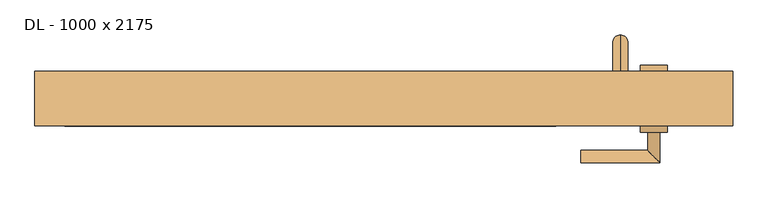
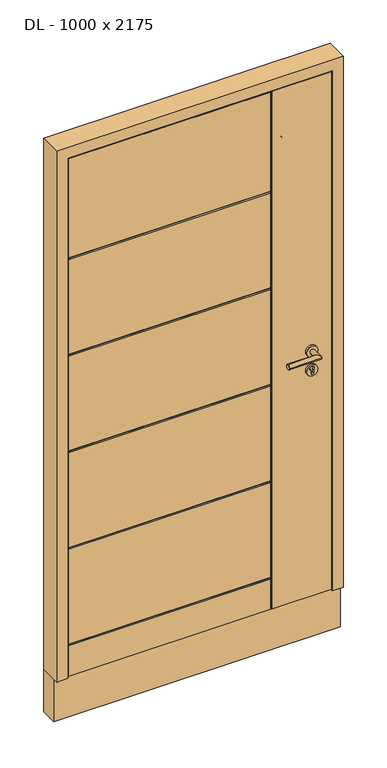
"""IFC4 building model written with IfcOpenShell, lengths in millimetres: door geometry, DL - 1000 x 2175."""

from ifc_helpers import new_model, si_unit, point, frame, frame_2d, origin, place, context, project, spatial, polyline, circle_curve, ellipse_curve, trimmed, segment, composite_curve, outline, extrude, faceted_brep, source, transform, mapped, element, save
from ifc_brep_helpers import plane_surface, cylinder_surface, revolved_surface, advanced_brep


def dl_1000_x_2175_5057b63d(model_context):
    return source(origin(), model_context, "Body", "SolidModel", [
        advanced_brep(
        [(390.0, 230.0, 1875.0), (390.0, 230.0, 1900.0), (390.0, 230.0, 225.0), (390.0, 230.0, 200.0), (390.0, 265.0, 225.0), (390.0, 290.0, 200.0), (390.0, 290.0, 1900.0), (390.0, 265.0, 1875.0)],
        [
            (0, 1, circle_curve(frame((390.0, 230.0, 1887.5), z_axis=(0.0, -1.0, 0.0), x_axis=(0.0, 0.0, 1.0)), 12.5)),
            (1, 0, circle_curve(frame((390.0, 230.0, 1887.5), z_axis=(0.0, -1.0, 0.0), x_axis=(0.0, 0.0, 1.0)), 12.5)),
            (2, 3, circle_curve(frame((390.0, 230.0, 212.5), z_axis=(0.0, -1.0, 0.0), x_axis=(0.0, 0.0, -1.0)), 12.5)),
            (3, 2, circle_curve(frame((390.0, 230.0, 212.5), z_axis=(0.0, -1.0, 0.0), x_axis=(0.0, 0.0, -1.0)), 12.5)),
            (4, 2),
            (3, 5),
            (5, 4, ellipse_curve(frame((390.0, 277.5, 212.5), z_axis=(0.0, -0.7071067811865475, -0.7071067811865475), x_axis=(0.0, 0.7071067811865476, -0.7071067811865474)), 17.6776695, 12.5)),
            (4, 5, ellipse_curve(frame((390.0, 277.5, 212.5), z_axis=(0.0, -0.7071067811865475, -0.7071067811865475), x_axis=(0.0, 0.7071067811865476, -0.7071067811865474)), 17.6776695, 12.5)),
            (6, 5),
            (4, 7),
            (7, 6, ellipse_curve(frame((390.0, 277.5, 1887.5), z_axis=(0.0, 0.7071067811865475, -0.7071067811865475), x_axis=(0.0, 0.7071067811865474, 0.7071067811865476)), 17.6776695, 12.5)),
            (6, 7, ellipse_curve(frame((390.0, 277.5, 1887.5), z_axis=(0.0, 0.7071067811865475, -0.7071067811865475), x_axis=(0.0, 0.7071067811865474, 0.7071067811865476)), 17.6776695, 12.5)),
            (1, 6),
            (7, 0),
        ],
        [
            plane_surface(frame((390.0, 230.0, 1900.0), z_axis=(0.0, -1.0, 0.0), x_axis=(-1.0, 0.0, 0.0))),
            plane_surface(frame((390.0, 230.0, 200.0), z_axis=(0.0, -1.0, 0.0), x_axis=(-1.0, 0.0, 0.0))),
            cylinder_surface(frame((390.0, 290.0, 212.5), z_axis=(0.0, 1.0, 0.0), x_axis=(0.0, 0.0, -1.0)), 12.5),
            cylinder_surface(frame((390.0, 277.5, 1900.0), z_axis=(0.0, 0.0, 1.0), x_axis=(0.0, 1.0, 0.0)), 12.5),
            cylinder_surface(frame((390.0, 230.0, 1887.5), z_axis=(0.0, -1.0, 0.0), x_axis=(0.0, 0.0, 1.0)), 12.5),
        ],
        [
            (0, [[1, 2]]),
            (1, [[3, 4]]),
            (2, [[5, -4, 6, 7]]),
            (2, [[-6, -3, -5, 8]]),
            (3, [[9, -8, 10, 11]]),
            (3, [[-10, -7, -9, 12]]),
            (4, [[13, -11, 14, -2]]),
            (4, [[-14, -12, -13, -1]]),
        ],
    ),
        advanced_brep(
        [(467.5, 230.0, 970.0), (422.5, 230.0, 970.0), (467.5, 240.0, 970.0), (422.5, 240.0, 970.0), (450.0, 240.0, 958.5), (450.0, 240.0, 971.1261365), (440.0, 240.0, 971.1261365), (440.0, 240.0, 958.5), (450.0, 232.0, 958.5), (450.0, 232.0, 971.1261365), (440.0, 232.0, 971.1261365), (440.0, 232.0, 958.5)],
        [
            (0, 1, circle_curve(frame((445.0, 230.0, 970.0), z_axis=(0.0, -1.0, 0.0), x_axis=(-1.0, 0.0, 0.0)), 22.5)),
            (1, 0, circle_curve(frame((445.0, 230.0, 970.0), z_axis=(0.0, -1.0, 0.0), x_axis=(-1.0, 0.0, 0.0)), 22.5)),
            (2, 3, circle_curve(frame((445.0, 240.0, 970.0), z_axis=(0.0, 1.0, 0.0), x_axis=(-1.0, 0.0, 0.0)), 22.5)),
            (3, 2, circle_curve(frame((445.0, 240.0, 970.0), z_axis=(0.0, 1.0, 0.0), x_axis=(-1.0, 0.0, 0.0)), 22.5)),
            (4, 5),
            (5, 6, circle_curve(frame((445.0, 240.0, 978.0), z_axis=(0.0, -1.0, 0.0), x_axis=(-1.0, 0.0, 0.0)), 8.5)),
            (6, 7),
            (7, 4, circle_curve(frame((445.0, 240.0, 958.5), z_axis=(0.0, -1.0, 0.0), x_axis=(-1.0, 0.0, 0.0)), 5.0)),
            (1, 3),
            (2, 0),
            (4, 8),
            (8, 9),
            (9, 5),
            (9, 10, circle_curve(frame((445.0, 232.0, 978.0), z_axis=(0.0, -1.0, 0.0), x_axis=(-1.0, 0.0, 0.0)), 8.5)),
            (10, 6),
            (10, 11),
            (11, 7),
            (11, 8, circle_curve(frame((445.0, 232.0, 958.5), z_axis=(0.0, -1.0, 0.0), x_axis=(-1.0, 0.0, 0.0)), 5.0)),
        ],
        [
            plane_surface(frame((422.5, 230.0, 970.0), z_axis=(0.0, -1.0, 0.0), x_axis=(0.0, 0.0, 1.0))),
            plane_surface(frame((422.5, 240.0, 970.0), z_axis=(0.0, 1.0, 0.0), x_axis=(0.0, 0.0, -1.0))),
            cylinder_surface(frame((445.0, 240.0, 970.0), z_axis=(0.0, -1.0, 0.0), x_axis=(-1.0, 0.0, 0.0)), 22.5),
            plane_surface(frame((450.0, 230.0, 958.5), z_axis=(-1.0, 0.0, 0.0), x_axis=(0.0, 1.0, 0.0))),
            revolved_surface(polyline([(436.5, 240.0, 978.0), (436.5, 232.0, 978.0)]), (445.0, 230.0, 978.0), (0.0, 1.0, 0.0)),
            plane_surface(frame((440.0, 230.0, 971.1261365), z_axis=(1.0, 0.0, 0.0), x_axis=(0.0, 1.0, 0.0))),
            revolved_surface(polyline([(440.0, 240.0, 958.5), (440.0, 232.0, 958.5)]), (445.0, 230.0, 958.5), (0.0, 1.0, 0.0)),
            plane_surface(frame((436.5, 232.0, 978.0), z_axis=(0.0, 1.0, 0.0), x_axis=(0.0, 0.0, -1.0))),
        ],
        [
            (0, [[1, 2]]),
            (1, [[3, 4], [5, 6, 7, 8]]),
            (2, [[9, -3, 10, -2]]),
            (2, [[-10, -4, -9, -1]]),
            (3, [[11, 12, 13, -5]]),
            (4, [[-13, 14, 15, -6]]),
            (5, [[-15, 16, 17, -7]]),
            (6, [[-17, 18, -11, -8]]),
            (7, [[-18, -16, -14, -12]]),
        ],
    ),
        advanced_brep(
        [(-526.0, 140.0, 8.0), (282.0, 140.0, 8.0), (282.0, 140.0, 136.0), (-526.0, 140.0, 136.0), (-526.0, 140.0, 144.0), (282.0, 140.0, 144.0), (282.0, 140.0, 545.2), (-526.0, 140.0, 545.2), (282.0, 140.0, 553.2), (282.0, 140.0, 954.4), (-526.0, 140.0, 954.4), (-526.0, 140.0, 553.2), (282.0, 140.0, 962.4), (282.0, 140.0, 1363.6), (-526.0, 140.0, 1363.6), (-526.0, 140.0, 962.4), (282.0, 140.0, 1371.6), (282.0, 140.0, 1772.8), (-526.0, 140.0, 1772.8), (-526.0, 140.0, 1371.6), (-526.0, 140.0, 2201.0), (-526.0, 140.0, 1780.8), (282.0, 140.0, 1780.8), (282.0, 140.0, 2201.0), (526.0, 140.0, 2201.0), (290.0, 140.0, 2201.0), (290.0, 140.0, 8.0), (526.0, 140.0, 8.0), (526.0, 160.0, 8.0), (526.0, 160.0, 2201.0), (-526.0, 160.0, 8.0), (-526.0, 160.0, 2201.0), (-511.0, 160.0, 2186.0), (-511.0, 160.0, 20.0), (511.0, 160.0, 20.0), (511.0, 160.0, 2186.0), (511.0, 210.0, 20.0), (511.0, 210.0, 2186.0), (-511.0, 210.0, 20.0), (-511.0, 210.0, 2186.0), (-496.0, 210.0, 2171.0), (-496.0, 210.0, 140.0), (496.0, 210.0, 140.0), (496.0, 210.0, 2171.0), (496.0, 230.0, 140.0), (496.0, 230.0, 2171.0), (-496.0, 230.0, 553.2), (-496.0, 230.0, 954.4), (282.0, 230.0, 954.4), (282.0, 230.0, 553.2), (-496.0, 230.0, 962.4), (-496.0, 230.0, 1363.6), (282.0, 230.0, 1363.6), (282.0, 230.0, 962.4), (-496.0, 230.0, 1371.6), (-496.0, 230.0, 1772.8), (282.0, 230.0, 1772.8), (282.0, 230.0, 1371.6), (290.0, 230.0, 140.0), (290.0, 230.0, 2171.0), (-496.0, 230.0, 545.2), (282.0, 230.0, 545.2), (282.0, 230.0, 140.0), (-496.0, 230.0, 140.0), (282.0, 230.0, 2171.0), (282.0, 230.0, 1780.8), (-496.0, 230.0, 1780.8), (-496.0, 230.0, 2171.0), (-496.0, 226.0, 1776.8), (-496.0, 226.0, 1367.6), (-496.0, 226.0, 958.4), (-496.0, 226.0, 549.2), (-526.0, 144.0, 140.0), (-526.0, 144.0, 549.2), (-526.0, 144.0, 958.4), (-526.0, 144.0, 1367.6), (-526.0, 144.0, 1776.8), (286.0, 144.0, 2201.0), (286.0, 226.0, 2171.0), (286.0, 144.0, 8.0), (286.0, 226.0, 140.0), (286.0, 226.0, 549.2), (286.0, 144.0, 549.2), (286.0, 144.0, 140.0), (286.0, 226.0, 958.4), (286.0, 226.0, 1367.6), (286.0, 226.0, 1776.8), (286.0, 144.0, 1776.8), (286.0, 144.0, 1367.6), (286.0, 144.0, 958.4)],
        [
            (0, 1),
            (1, 2),
            (2, 3),
            (3, 0),
            (4, 5),
            (5, 6),
            (6, 7),
            (7, 4),
            (8, 9),
            (9, 10),
            (10, 11),
            (11, 8),
            (12, 13),
            (13, 14),
            (14, 15),
            (15, 12),
            (16, 17),
            (17, 18),
            (18, 19),
            (19, 16),
            (20, 21),
            (21, 22),
            (22, 23),
            (23, 20),
            (24, 25),
            (25, 26),
            (26, 27),
            (27, 24),
            (27, 28),
            (28, 29),
            (29, 24),
            (28, 30),
            (30, 31),
            (31, 29),
            (32, 33),
            (33, 34),
            (34, 35),
            (35, 32),
            (34, 36),
            (36, 37),
            (37, 35),
            (36, 38),
            (38, 39),
            (39, 37),
            (40, 41),
            (41, 42),
            (42, 43),
            (43, 40),
            (42, 44),
            (44, 45),
            (45, 43),
            (46, 47),
            (47, 48),
            (48, 49),
            (49, 46),
            (50, 51),
            (51, 52),
            (52, 53),
            (53, 50),
            (54, 55),
            (55, 56),
            (56, 57),
            (57, 54),
            (44, 58),
            (58, 59),
            (59, 45),
            (60, 61),
            (61, 62),
            (62, 63),
            (63, 60),
            (64, 65),
            (65, 66),
            (66, 67),
            (67, 64),
            (66, 68, circle_curve(frame((-496.0, 226.0, 1780.8), z_axis=(-1.0, 0.0, 0.0), x_axis=(0.0, 1.0, 0.0)), 4.0)),
            (68, 55, circle_curve(frame((-496.0, 226.0, 1772.8), z_axis=(-1.0, 0.0, 0.0), x_axis=(0.0, 1.0, 0.0)), 4.0)),
            (54, 69, circle_curve(frame((-496.0, 226.0, 1371.6), z_axis=(-1.0, 0.0, 0.0), x_axis=(0.0, 1.0, 0.0)), 4.0)),
            (69, 51, circle_curve(frame((-496.0, 226.0, 1363.6), z_axis=(-1.0, 0.0, 0.0), x_axis=(0.0, 1.0, 0.0)), 4.0)),
            (50, 70, circle_curve(frame((-496.0, 226.0, 962.4), z_axis=(-1.0, 0.0, 0.0), x_axis=(0.0, 1.0, 0.0)), 4.0)),
            (70, 47, circle_curve(frame((-496.0, 226.0, 954.4), z_axis=(-1.0, 0.0, 0.0), x_axis=(0.0, 1.0, 0.0)), 4.0)),
            (46, 71, circle_curve(frame((-496.0, 226.0, 553.2), z_axis=(-1.0, 0.0, 0.0), x_axis=(0.0, 1.0, 0.0)), 4.0)),
            (71, 60, circle_curve(frame((-496.0, 226.0, 545.2), z_axis=(-1.0, 0.0, 0.0), x_axis=(0.0, 1.0, 0.0)), 4.0)),
            (63, 41),
            (40, 67),
            (38, 33),
            (32, 39),
            (30, 0),
            (3, 72, circle_curve(frame((-526.0, 144.0, 136.0), z_axis=(-1.0, 0.0, 0.0), x_axis=(0.0, -1.0, 0.0)), 4.0)),
            (72, 4, circle_curve(frame((-526.0, 144.0, 144.0), z_axis=(-1.0, 0.0, 0.0), x_axis=(0.0, -1.0, 0.0)), 4.0)),
            (7, 73, circle_curve(frame((-526.0, 144.0, 545.2), z_axis=(-1.0, 0.0, 0.0), x_axis=(0.0, -1.0, 0.0)), 4.0)),
            (73, 11, circle_curve(frame((-526.0, 144.0, 553.2), z_axis=(-1.0, 0.0, 0.0), x_axis=(0.0, -1.0, 0.0)), 4.0)),
            (10, 74, circle_curve(frame((-526.0, 144.0, 954.4), z_axis=(-1.0, 0.0, 0.0), x_axis=(0.0, -1.0, 0.0)), 4.0)),
            (74, 15, circle_curve(frame((-526.0, 144.0, 962.4), z_axis=(-1.0, 0.0, 0.0), x_axis=(0.0, -1.0, 0.0)), 4.0)),
            (14, 75, circle_curve(frame((-526.0, 144.0, 1363.6), z_axis=(-1.0, 0.0, 0.0), x_axis=(0.0, -1.0, 0.0)), 4.0)),
            (75, 19, circle_curve(frame((-526.0, 144.0, 1371.6), z_axis=(-1.0, 0.0, 0.0), x_axis=(0.0, -1.0, 0.0)), 4.0)),
            (18, 76, circle_curve(frame((-526.0, 144.0, 1772.8), z_axis=(-1.0, 0.0, 0.0), x_axis=(0.0, -1.0, 0.0)), 4.0)),
            (76, 21, circle_curve(frame((-526.0, 144.0, 1780.8), z_axis=(-1.0, 0.0, 0.0), x_axis=(0.0, -1.0, 0.0)), 4.0)),
            (20, 31),
            (23, 77, circle_curve(frame((282.0, 144.0, 2201.0), z_axis=(0.0, 0.0, 1.0), x_axis=(0.0, -1.0, 0.0)), 4.0)),
            (77, 25, circle_curve(frame((290.0, 144.0, 2201.0), z_axis=(0.0, 0.0, 1.0), x_axis=(0.0, -1.0, 0.0)), 4.0)),
            (59, 78, circle_curve(frame((290.0, 226.0, 2171.0), z_axis=(0.0, 0.0, 1.0), x_axis=(0.0, 1.0, 0.0)), 4.0)),
            (78, 64, circle_curve(frame((282.0, 226.0, 2171.0), z_axis=(0.0, 0.0, 1.0), x_axis=(0.0, 1.0, 0.0)), 4.0)),
            (26, 79, circle_curve(frame((290.0, 144.0, 8.0), z_axis=(0.0, 0.0, -1.0), x_axis=(0.0, -1.0, 0.0)), 4.0)),
            (79, 1, circle_curve(frame((282.0, 144.0, 8.0), z_axis=(0.0, 0.0, -1.0), x_axis=(0.0, -1.0, 0.0)), 4.0)),
            (62, 80, circle_curve(frame((282.0, 226.0, 140.0), z_axis=(0.0, 0.0, -1.0), x_axis=(0.0, 1.0, 0.0)), 4.0)),
            (80, 58, circle_curve(frame((290.0, 226.0, 140.0), z_axis=(0.0, 0.0, -1.0), x_axis=(0.0, 1.0, 0.0)), 4.0)),
            (81, 61, ellipse_curve(frame((282.0, 226.0, 545.2), z_axis=(-0.7071067811865475, 0.0, 0.7071067811865476), x_axis=(-0.7071067811865476, 0.0, -0.7071067811865475)), 5.6568542, 4.0)),
            (71, 81),
            (49, 81, ellipse_curve(frame((282.0, 226.0, 553.2), z_axis=(-0.7071067811865475, 0.0, -0.7071067811865475), x_axis=(-0.7071067811865476, 0.0, 0.7071067811865474)), 5.6568542, 4.0)),
            (6, 82, ellipse_curve(frame((282.0, 144.0, 545.2), z_axis=(-0.7071067811865475, 0.0, 0.7071067811865475), x_axis=(0.7071067811865476, 0.0, 0.7071067811865474)), 5.6568542, 4.0)),
            (82, 73),
            (82, 8, ellipse_curve(frame((282.0, 144.0, 553.2), z_axis=(-0.7071067811865475, 0.0, -0.7071067811865476), x_axis=(0.7071067811865476, 0.0, -0.7071067811865475)), 5.6568542, 4.0)),
            (2, 83, ellipse_curve(frame((282.0, 144.0, 136.0), z_axis=(-0.7071067811865475, 0.0, 0.7071067811865475), x_axis=(-0.7071067811865476, 0.0, -0.7071067811865474)), 5.6568542, 4.0)),
            (83, 72),
            (83, 5, ellipse_curve(frame((282.0, 144.0, 144.0), z_axis=(-0.7071067811865475, 0.0, -0.7071067811865476), x_axis=(-0.7071067811865476, 0.0, 0.7071067811865475)), 5.6568542, 4.0)),
            (81, 84),
            (84, 85),
            (85, 86),
            (86, 78),
            (80, 81),
            (48, 84, ellipse_curve(frame((282.0, 226.0, 954.4), z_axis=(0.7071067811865475, 0.0, -0.7071067811865476), x_axis=(0.7071067811865476, 0.0, 0.7071067811865474)), 5.6568542, 4.0)),
            (52, 85, ellipse_curve(frame((282.0, 226.0, 1363.6), z_axis=(0.7071067811865475, 0.0, -0.7071067811865476), x_axis=(0.7071067811865476, 0.0, 0.7071067811865474)), 5.6568542, 4.0)),
            (84, 53, ellipse_curve(frame((282.0, 226.0, 962.4), z_axis=(0.7071067811865475, 0.0, 0.7071067811865475), x_axis=(-0.7071067811865474, 0.0, 0.7071067811865477)), 5.6568542, 4.0)),
            (56, 86, ellipse_curve(frame((282.0, 226.0, 1772.8), z_axis=(0.7071067811865475, 0.0, -0.7071067811865476), x_axis=(0.7071067811865476, 0.0, 0.7071067811865474)), 5.6568542, 4.0)),
            (85, 57, ellipse_curve(frame((282.0, 226.0, 1371.6), z_axis=(0.7071067811865475, 0.0, 0.7071067811865475), x_axis=(-0.7071067811865474, 0.0, 0.7071067811865477)), 5.6568542, 4.0)),
            (86, 65, ellipse_curve(frame((282.0, 226.0, 1780.8), z_axis=(0.7071067811865475, 0.0, 0.7071067811865475), x_axis=(-0.7071067811865474, 0.0, 0.7071067811865477)), 5.6568542, 4.0)),
            (70, 84),
            (83, 79),
            (77, 87),
            (87, 88),
            (88, 89),
            (89, 82),
            (82, 83),
            (22, 87, ellipse_curve(frame((282.0, 144.0, 1780.8), z_axis=(0.7071067811865475, 0.0, 0.7071067811865476), x_axis=(0.7071067811865476, 0.0, -0.7071067811865474)), 5.6568542, 4.0)),
            (87, 17, ellipse_curve(frame((282.0, 144.0, 1772.8), z_axis=(0.7071067811865475, 0.0, -0.7071067811865475), x_axis=(-0.7071067811865474, 0.0, -0.7071067811865477)), 5.6568542, 4.0)),
            (16, 88, ellipse_curve(frame((282.0, 144.0, 1371.6), z_axis=(0.7071067811865475, 0.0, 0.7071067811865476), x_axis=(0.7071067811865476, 0.0, -0.7071067811865474)), 5.6568542, 4.0)),
            (88, 13, ellipse_curve(frame((282.0, 144.0, 1363.6), z_axis=(0.7071067811865475, 0.0, -0.7071067811865475), x_axis=(-0.7071067811865474, 0.0, -0.7071067811865477)), 5.6568542, 4.0)),
            (12, 89, ellipse_curve(frame((282.0, 144.0, 962.4), z_axis=(0.7071067811865475, 0.0, 0.7071067811865476), x_axis=(0.7071067811865476, 0.0, -0.7071067811865474)), 5.6568542, 4.0)),
            (89, 9, ellipse_curve(frame((282.0, 144.0, 954.4), z_axis=(0.7071067811865475, 0.0, -0.7071067811865475), x_axis=(-0.7071067811865474, 0.0, -0.7071067811865477)), 5.6568542, 4.0)),
            (89, 74),
            (88, 75),
            (69, 85),
            (87, 76),
            (68, 86),
        ],
        [
            plane_surface(frame((526.0, 140.0, 2201.0), z_axis=(0.0, -1.0, 0.0), x_axis=(0.0, 0.0, -1.0))),
            plane_surface(frame((526.0, 230.0, 2201.0), z_axis=(1.0, 0.0, 0.0), x_axis=(0.0, 0.0, -1.0))),
            plane_surface(frame((511.0, 160.0, 0.0), z_axis=(0.0, 1.0, 0.0), x_axis=(0.0, 0.0, 1.0))),
            plane_surface(frame((511.0, 210.0, 0.0), z_axis=(1.0, 0.0, 0.0), x_axis=(0.0, 0.0, 1.0))),
            plane_surface(frame((496.0, 210.0, 0.0), z_axis=(0.0, 1.0, 0.0), x_axis=(0.0, 0.0, 1.0))),
            plane_surface(frame((496.0, 230.0, 0.0), z_axis=(1.0, 0.0, 0.0), x_axis=(0.0, 0.0, 1.0))),
            plane_surface(frame((-526.0, 230.0, 2201.0), z_axis=(0.0, 1.0, 0.0), x_axis=(0.0, 0.0, -1.0))),
            plane_surface(frame((-496.0, 230.0, 2171.0), z_axis=(-1.0, 0.0, 0.0), x_axis=(0.0, 0.0, -1.0))),
            plane_surface(frame((-511.0, 210.0, 2186.0), z_axis=(-1.0, 0.0, 0.0), x_axis=(0.0, 0.0, -1.0))),
            plane_surface(frame((-526.0, 140.0, 2201.0), z_axis=(-1.0, 0.0, 0.0), x_axis=(0.0, 0.0, -1.0))),
            plane_surface(frame((526.0, 230.0, 2201.0), z_axis=(0.0, 0.0, 1.0), x_axis=(1.0, 0.0, 0.0))),
            plane_surface(frame((496.0, 230.0, 2171.0), z_axis=(0.0, 0.0, 1.0), x_axis=(-1.0, 0.0, 0.0))),
            plane_surface(frame((511.0, 210.0, 2186.0), z_axis=(0.0, 0.0, 1.0), x_axis=(-1.0, 0.0, 0.0))),
            plane_surface(frame((-526.0, 230.0, 20.0), z_axis=(0.0, 0.0, -1.0), x_axis=(1.0, 0.0, 0.0))),
            plane_surface(frame((-526.0, 160.0, 8.0), z_axis=(0.0, 0.0, -1.0), x_axis=(1.0, 0.0, 0.0))),
            plane_surface(frame((-526.0, 230.0, 140.0), z_axis=(0.0, 0.0, -1.0), x_axis=(1.0, 0.0, 0.0))),
            cylinder_surface(frame((286.0, 226.0, 545.2), z_axis=(-1.0, 0.0, 0.0), x_axis=(0.0, 1.0, 0.0)), 4.0),
            cylinder_surface(frame((286.0, 226.0, 553.2), z_axis=(-1.0, 0.0, 0.0), x_axis=(0.0, 1.0, 0.0)), 4.0),
            cylinder_surface(frame((-566.0, 144.0, 545.2), z_axis=(1.0, 0.0, 0.0), x_axis=(0.0, -1.0, 0.0)), 4.0),
            cylinder_surface(frame((-566.0, 144.0, 553.2), z_axis=(1.0, 0.0, 0.0), x_axis=(0.0, -1.0, 0.0)), 4.0),
            cylinder_surface(frame((286.0, 144.0, 136.0), z_axis=(-1.0, 0.0, 0.0), x_axis=(0.0, -1.0, 0.0)), 4.0),
            cylinder_surface(frame((286.0, 144.0, 144.0), z_axis=(-1.0, 0.0, 0.0), x_axis=(0.0, -1.0, 0.0)), 4.0),
            cylinder_surface(frame((290.0, 226.0, -10.0), z_axis=(0.0, 0.0, 1.0), x_axis=(0.0, 1.0, 0.0)), 4.0),
            cylinder_surface(frame((282.0, 226.0, -10.0), z_axis=(0.0, 0.0, 1.0), x_axis=(0.0, 1.0, 0.0)), 4.0),
            cylinder_surface(frame((286.0, 226.0, 954.4), z_axis=(-1.0, 0.0, 0.0), x_axis=(0.0, 1.0, 0.0)), 4.0),
            cylinder_surface(frame((286.0, 226.0, 962.4), z_axis=(-1.0, 0.0, 0.0), x_axis=(0.0, 1.0, 0.0)), 4.0),
            cylinder_surface(frame((290.0, 144.0, 2211.0), z_axis=(0.0, 0.0, -1.0), x_axis=(0.0, -1.0, 0.0)), 4.0),
            cylinder_surface(frame((282.0, 144.0, 2211.0), z_axis=(0.0, 0.0, -1.0), x_axis=(0.0, -1.0, 0.0)), 4.0),
            cylinder_surface(frame((-566.0, 144.0, 954.4), z_axis=(1.0, 0.0, 0.0), x_axis=(0.0, -1.0, 0.0)), 4.0),
            cylinder_surface(frame((-566.0, 144.0, 962.4), z_axis=(1.0, 0.0, 0.0), x_axis=(0.0, -1.0, 0.0)), 4.0),
            cylinder_surface(frame((-566.0, 144.0, 1363.6), z_axis=(1.0, 0.0, 0.0), x_axis=(0.0, -1.0, 0.0)), 4.0),
            cylinder_surface(frame((-566.0, 144.0, 1371.6), z_axis=(1.0, 0.0, 0.0), x_axis=(0.0, -1.0, 0.0)), 4.0),
            cylinder_surface(frame((286.0, 226.0, 1363.6), z_axis=(-1.0, 0.0, 0.0), x_axis=(0.0, 1.0, 0.0)), 4.0),
            cylinder_surface(frame((286.0, 226.0, 1371.6), z_axis=(-1.0, 0.0, 0.0), x_axis=(0.0, 1.0, 0.0)), 4.0),
            cylinder_surface(frame((-566.0, 144.0, 1772.8), z_axis=(1.0, 0.0, 0.0), x_axis=(0.0, -1.0, 0.0)), 4.0),
            cylinder_surface(frame((-566.0, 144.0, 1780.8), z_axis=(1.0, 0.0, 0.0), x_axis=(0.0, -1.0, 0.0)), 4.0),
            cylinder_surface(frame((286.0, 226.0, 1772.8), z_axis=(-1.0, 0.0, 0.0), x_axis=(0.0, 1.0, 0.0)), 4.0),
            cylinder_surface(frame((286.0, 226.0, 1780.8), z_axis=(-1.0, 0.0, 0.0), x_axis=(0.0, 1.0, 0.0)), 4.0),
        ],
        [
            (0, [[1, 2, 3, 4]]),
            (0, [[5, 6, 7, 8]]),
            (0, [[9, 10, 11, 12]]),
            (0, [[13, 14, 15, 16]]),
            (0, [[17, 18, 19, 20]]),
            (0, [[21, 22, 23, 24]]),
            (0, [[25, 26, 27, 28]]),
            (1, [[-28, 29, 30, 31]]),
            (2, [[-30, 32, 33, 34], [35, 36, 37, 38]]),
            (3, [[-37, 39, 40, 41]]),
            (4, [[-40, 42, 43, 44], [45, 46, 47, 48]]),
            (5, [[-47, 49, 50, 51]]),
            (6, [[52, 53, 54, 55]]),
            (6, [[56, 57, 58, 59]]),
            (6, [[60, 61, 62, 63]]),
            (6, [[64, 65, 66, -50]]),
            (6, [[67, 68, 69, 70]]),
            (6, [[71, 72, 73, 74]]),
            (7, [[-73, 75, 76, -60, 77, 78, -56, 79, 80, -52, 81, 82, -70, 83, -45, 84]]),
            (8, [[-43, 85, -35, 86]]),
            (9, [[-33, 87, -4, 88, 89, -8, 90, 91, -11, 92, 93, -15, 94, 95, -19, 96, 97, -21, 98]]),
            (10, [[-34, -98, -24, 99, 100, -25, -31]]),
            (11, [[-66, 101, 102, -74, -84, -48, -51]]),
            (12, [[-86, -38, -41, -44]]),
            (13, [[-85, -42, -39, -36]]),
            (14, [[-27, 103, 104, -1, -87, -32, -29]]),
            (15, [[-83, -69, 105, 106, -64, -49, -46]]),
            (16, [[107, -67, -82, 108]]),
            (17, [[-81, -55, 109, -108]]),
            (18, [[-90, -7, 110, 111]]),
            (19, [[112, -12, -91, -111]]),
            (20, [[-88, -3, 113, 114]]),
            (21, [[115, -5, -89, -114]]),
            (22, [[116, 117, 118, 119, -101, -65, -106, 120]]),
            (23, [[-54, 121, -116, -109]]),
            (23, [[-58, 122, -117, 123]]),
            (23, [[-62, 124, -118, 125]]),
            (23, [[-105, -68, -107, -120]]),
            (23, [[-119, 126, -71, -102]]),
            (24, [[-121, -53, -80, 127]]),
            (25, [[-79, -59, -123, -127]]),
            (26, [[128, -103, -26, -100, 129, 130, 131, 132, 133]]),
            (27, [[-23, 134, -129, -99]]),
            (27, [[-110, -6, -115, -133]]),
            (27, [[-113, -2, -104, -128]]),
            (27, [[-130, 135, -17, 136]]),
            (27, [[-131, 137, -13, 138]]),
            (27, [[-132, 139, -9, -112]]),
            (28, [[-92, -10, -139, 140]]),
            (29, [[-138, -16, -93, -140]]),
            (30, [[-94, -14, -137, 141]]),
            (31, [[-136, -20, -95, -141]]),
            (32, [[-122, -57, -78, 142]]),
            (33, [[-77, -63, -125, -142]]),
            (34, [[-96, -18, -135, 143]]),
            (35, [[-134, -22, -97, -143]]),
            (36, [[-124, -61, -76, 144]]),
            (37, [[-75, -72, -126, -144]]),
        ],
    ),
        extrude(outline(polyline([(210.0, 140.0), (226.0, 140.0), (226.0, 136.0), (230.0, 136.0), (230.0, 20.0), (225.9609036, 20.0), (225.9609036, 24.0), (221.9609036, 24.0), (221.9609036, 20.0), (210.0, 20.0), (210.0, 140.0)])), frame((-496.0, 0.0, 0.0), z_axis=(1.0, 0.0, 0.0), x_axis=(0.0, 1.0, 0.0)), (0.0, 0.0, 1.0), 992.0),
        faceted_brep([(496.0, 210.0, 0.0), (496.0, 230.0, 0.0), (496.0, 230.0, 7.0), (496.0, 210.0, 9.0), (-496.0, 210.0, 0.0), (-511.0, 210.0, 0.0), (-511.0, 210.0, 9.0), (-496.0, 210.0, 9.0), (511.0, 210.0, 9.0), (511.0, 210.0, 0.0), (511.0, 180.0, 12.0), (511.0, 180.0, 15.0), (511.0, 160.0, 15.0), (511.0, 160.0, 0.0), (-496.0, 230.0, 7.0), (-496.0, 230.0, 0.0), (-511.0, 160.0, 0.0), (-511.0, 160.0, 15.0), (-511.0, 180.0, 15.0), (-511.0, 180.0, 12.0)], [[[0, 1, 2, 3]], [[4, 5, 6, 7]], [[3, 8, 9, 0]], [[8, 10, 11, 12, 13, 9]], [[7, 14, 15, 4]], [[5, 16, 17, 18, 19, 6]], [[17, 16, 13, 12]], [[16, 5, 4, 15, 1, 0, 9, 13]], [[15, 14, 2, 1]], [[12, 11, 18, 17]], [[14, 7, 6, 19, 10, 8, 3, 2]], [[11, 10, 19, 18]]]),
        advanced_brep(
        [(467.5, 140.0, 970.0), (422.5, 140.0, 970.0), (467.5, 130.0, 970.0), (422.5, 130.0, 970.0), (450.0, 130.0, 958.5), (440.0, 130.0, 958.5), (440.0, 130.0, 971.1261365), (450.0, 130.0, 971.1261365), (450.0, 138.0, 971.1261365), (450.0, 138.0, 958.5), (440.0, 138.0, 971.1261365), (440.0, 138.0, 958.5)],
        [
            (0, 1, circle_curve(frame((445.0, 140.0, 970.0), z_axis=(0.0, 1.0, 0.0), x_axis=(-1.0, 0.0, 0.0)), 22.5)),
            (1, 0, circle_curve(frame((445.0, 140.0, 970.0), z_axis=(0.0, 1.0, 0.0), x_axis=(-1.0, 0.0, 0.0)), 22.5)),
            (2, 3, circle_curve(frame((445.0, 130.0, 970.0), z_axis=(0.0, -1.0, 0.0), x_axis=(-1.0, 0.0, 0.0)), 22.5)),
            (3, 2, circle_curve(frame((445.0, 130.0, 970.0), z_axis=(0.0, -1.0, 0.0), x_axis=(-1.0, 0.0, 0.0)), 22.5)),
            (4, 5, circle_curve(frame((445.0, 130.0, 958.5), z_axis=(0.0, 1.0, 0.0), x_axis=(-1.0, 0.0, 0.0)), 5.0)),
            (5, 6),
            (6, 7, circle_curve(frame((445.0, 130.0, 978.0), z_axis=(0.0, 1.0, 0.0), x_axis=(-1.0, 0.0, 0.0)), 8.5)),
            (7, 4),
            (0, 2),
            (3, 1),
            (7, 8),
            (8, 9),
            (9, 4),
            (6, 10),
            (10, 8, circle_curve(frame((445.0, 138.0, 978.0), z_axis=(0.0, 1.0, 0.0), x_axis=(-1.0, 0.0, 0.0)), 8.5)),
            (5, 11),
            (11, 10),
            (9, 11, circle_curve(frame((445.0, 138.0, 958.5), z_axis=(0.0, 1.0, 0.0), x_axis=(-1.0, 0.0, 0.0)), 5.0)),
        ],
        [
            plane_surface(frame((422.5, 140.0, 970.0), z_axis=(0.0, 1.0, 0.0), x_axis=(0.0, 0.0, 1.0))),
            plane_surface(frame((422.5, 130.0, 970.0), z_axis=(0.0, -1.0, 0.0), x_axis=(0.0, 0.0, -1.0))),
            cylinder_surface(frame((445.0, 130.0, 970.0), z_axis=(0.0, 1.0, 0.0), x_axis=(-1.0, 0.0, 0.0)), 22.5),
            plane_surface(frame((450.0, 140.0, 958.5), z_axis=(-1.0, 0.0, 0.0), x_axis=(0.0, -1.0, 0.0))),
            revolved_surface(polyline([(436.5, 130.0, 978.0), (436.5, 138.0, 978.0)]), (445.0, 140.0, 978.0), (0.0, -1.0, 0.0)),
            plane_surface(frame((440.0, 140.0, 971.1261365), z_axis=(1.0, 0.0, 0.0), x_axis=(0.0, -1.0, 0.0))),
            revolved_surface(polyline([(440.0, 130.0, 958.5), (440.0, 138.0, 958.5)]), (445.0, 140.0, 958.5), (0.0, -1.0, 0.0)),
            plane_surface(frame((450.0, 138.0, 958.5), z_axis=(0.0, -1.0, 0.0), x_axis=(0.0, 0.0, 1.0))),
        ],
        [
            (0, [[1, 2]]),
            (1, [[3, 4], [5, 6, 7, 8]]),
            (2, [[-1, 9, -4, 10]]),
            (2, [[-2, -10, -3, -9]]),
            (3, [[-8, 11, 12, 13]]),
            (4, [[-7, 14, 15, -11]]),
            (5, [[-6, 16, 17, -14]]),
            (6, [[-5, -13, 18, -16]]),
            (7, [[-12, -15, -17, -18]]),
        ],
    ),
        advanced_brep(
        [(435.0, 130.0, 1050.0), (455.0, 130.0, 1050.0), (435.0, 100.0, 1050.0), (455.0, 80.0, 1050.0), (325.0, 100.0, 1050.0), (325.0, 80.0, 1050.0)],
        [
            (0, 1, circle_curve(frame((445.0, 130.0, 1050.0), z_axis=(0.0, 1.0, 0.0), x_axis=(1.0, 0.0, 0.0)), 10.0)),
            (1, 0, circle_curve(frame((445.0, 130.0, 1050.0), z_axis=(0.0, 1.0, 0.0), x_axis=(1.0, 0.0, 0.0)), 10.0)),
            (0, 2),
            (2, 3, ellipse_curve(frame((445.0, 90.0, 1050.0), z_axis=(0.7071067811865486, 0.7071067811865464, 0.0), x_axis=(-0.7071067811865464, 0.7071067811865488, 0.0)), 14.1421356, 10.0)),
            (3, 1),
            (3, 2, ellipse_curve(frame((445.0, 90.0, 1050.0), z_axis=(0.7071067811865486, 0.7071067811865464, 0.0), x_axis=(-0.7071067811865464, 0.7071067811865488, 0.0)), 14.1421356, 10.0)),
            (4, 5, circle_curve(frame((325.0, 90.0, 1050.0), z_axis=(-1.0, 0.0, 0.0), x_axis=(0.0, -1.0, 0.0)), 10.0)),
            (5, 4, circle_curve(frame((325.0, 90.0, 1050.0), z_axis=(-1.0, 0.0, 0.0), x_axis=(0.0, -1.0, 0.0)), 10.0)),
            (2, 4),
            (5, 3),
        ],
        [
            plane_surface(frame((445.0, 130.0, 1050.0), z_axis=(0.0, 1.0, 0.0), x_axis=(0.0, 0.0, 1.0))),
            cylinder_surface(frame((445.0, 130.0, 1050.0), z_axis=(0.0, 1.0, 0.0), x_axis=(1.0, 0.0, 0.0)), 10.0),
            plane_surface(frame((325.0, 90.0, 1050.0), z_axis=(-1.0, 0.0, 0.0), x_axis=(0.0, 0.0, 1.0))),
            cylinder_surface(frame((445.0, 90.0, 1050.0), z_axis=(1.0, 0.0, 0.0), x_axis=(0.0, -1.0, 0.0)), 10.0),
        ],
        [
            (0, [[1, 2]]),
            (1, [[-1, 3, 4, 5]]),
            (1, [[-2, -5, 6, -3]]),
            (2, [[7, 8]]),
            (3, [[-4, 9, -8, 10]]),
            (3, [[-6, -10, -7, -9]]),
        ],
    ),
        advanced_brep(
        [(435.0, 130.0, 1050.0), (455.0, 130.0, 1050.0), (435.0, 100.0, 1050.0), (455.0, 80.0, 1050.0), (325.0, 100.0, 1050.0), (325.0, 80.0, 1050.0)],
        [
            (0, 1, circle_curve(frame((445.0, 130.0, 1050.0), z_axis=(0.0, 1.0, 0.0), x_axis=(1.0, 0.0, 0.0)), 10.0)),
            (1, 0, circle_curve(frame((445.0, 130.0, 1050.0), z_axis=(0.0, 1.0, 0.0), x_axis=(1.0, 0.0, 0.0)), 10.0)),
            (0, 2),
            (2, 3, ellipse_curve(frame((445.0, 90.0, 1050.0), z_axis=(0.7071067811865491, 0.7071067811865459, 0.0), x_axis=(-0.7071067811865458, 0.7071067811865492, 0.0)), 14.1421356, 10.0)),
            (3, 1),
            (3, 2, ellipse_curve(frame((445.0, 90.0, 1050.0), z_axis=(0.7071067811865491, 0.7071067811865459, 0.0), x_axis=(-0.7071067811865458, 0.7071067811865492, 0.0)), 14.1421356, 10.0)),
            (4, 5, circle_curve(frame((325.0, 90.0, 1050.0), z_axis=(-1.0, 0.0, 0.0), x_axis=(0.0, -1.0, 0.0)), 10.0)),
            (5, 4, circle_curve(frame((325.0, 90.0, 1050.0), z_axis=(-1.0, 0.0, 0.0), x_axis=(0.0, -1.0, 0.0)), 10.0)),
            (2, 4),
            (5, 3),
        ],
        [
            plane_surface(frame((445.0, 130.0, 1050.0), z_axis=(0.0, 1.0, 0.0), x_axis=(0.0, 0.0, 1.0))),
            cylinder_surface(frame((445.0, 130.0, 1050.0), z_axis=(0.0, 1.0, 0.0), x_axis=(1.0, 0.0, 0.0)), 10.0),
            plane_surface(frame((325.0, 90.0, 1050.0), z_axis=(-1.0, 0.0, 0.0), x_axis=(0.0, 0.0, 1.0))),
            cylinder_surface(frame((445.0, 90.0, 1050.0), z_axis=(1.0, 0.0, 0.0), x_axis=(0.0, -1.0, 0.0)), 10.0),
        ],
        [
            (0, [[1, 2]]),
            (1, [[-1, 3, 4, 5]]),
            (1, [[-2, -5, 6, -3]]),
            (2, [[7, 8]]),
            (3, [[-4, 9, -8, 10]]),
            (3, [[-6, -10, -7, -9]]),
        ],
    ),
        extrude(outline(composite_curve([segment(trimmed(circle_curve(frame_2d((1050.0, 445.0)), 22.5), [point((1050.0, 467.5))], [point((1050.0, 422.5))], False, "CARTESIAN"), True, "CONTINUOUS"), segment(trimmed(circle_curve(frame_2d((1050.0, 445.0)), 22.5), [point((1050.0, 422.5))], [point((1050.0, 467.5))], False, "CARTESIAN"), True, "CONTINUOUS")], self_intersect=False)), frame((0.0, 130.0, 0.0), z_axis=(0.0, 1.0, 0.0), x_axis=(0.0, 0.0, 1.0)), (0.0, 0.0, 1.0), 10.0),
        faceted_brep([(-575.0, 140.0, 2250.0), (-575.0, 140.0, 0.0), (-530.0, 140.0, 0.0), (-530.0, 140.0, 2205.0), (530.0, 140.0, 2205.0), (530.0, 140.0, 0.0), (575.0, 140.0, 0.0), (575.0, 140.0, 2250.0), (-575.0, 230.0, 2250.0), (-575.0, 230.0, 0.0), (-500.0, 230.0, 0.0), (-500.0, 210.0, 0.0), (-515.0, 210.0, 0.0), (-515.0, 160.0, 0.0), (-530.0, 160.0, 0.0), (-530.0, 160.0, 2205.0), (530.0, 160.0, 2205.0), (530.0, 160.0, 0.0), (500.0, 230.0, 0.0), (575.0, 230.0, 0.0), (515.0, 160.0, 0.0), (515.0, 210.0, 0.0), (500.0, 210.0, 0.0), (575.0, 230.0, 2250.0), (500.0, 230.0, 2175.0), (-500.0, 230.0, 2175.0), (500.0, 210.0, 2175.0), (-500.0, 210.0, 2175.0), (-515.0, 160.0, 2190.0), (515.0, 160.0, 2190.0), (515.0, 210.0, 2190.0), (-515.0, 210.0, 2190.0)], [[[0, 1, 2, 3, 4, 5, 6, 7]], [[1, 0, 8, 9]], [[9, 10, 11, 12, 13, 14, 2, 1]], [[14, 15, 3, 2]], [[16, 17, 5, 4]], [[18, 19, 6, 5, 17, 20, 21, 22]], [[7, 6, 19, 23]], [[8, 23, 19, 18, 24, 25, 10, 9]], [[24, 18, 22, 26]], [[10, 25, 27, 11]], [[15, 14, 13, 28, 29, 20, 17, 16]], [[20, 29, 30, 21]], [[31, 12, 11, 27, 26, 22, 21, 30]], [[28, 13, 12, 31]], [[0, 7, 23, 8]], [[25, 24, 26, 27]], [[3, 15, 16, 4]], [[29, 28, 31, 30]]]),
        extrude(outline(polyline([(575.0, 230.0), (575.0, 160.0), (-575.0, 160.0), (-575.0, 230.0), (575.0, 230.0)])), frame((0.0, 0.0, -180.0), z_axis=(0.0, 0.0, 1.0), x_axis=(1.0, 0.0, 0.0)), (0.0, 0.0, 1.0), 180.0),
    ])


if __name__ == "__main__":
    model = new_model("IFC4")
    model_context = context("Model", 3, world=origin())
    ifc_project = project(units=[si_unit("LENGTHUNIT", "METRE", prefix="MILLI")], contexts=[model_context])
    site = spatial("IfcSite", under=ifc_project)
    building = spatial("IfcBuilding", under=site)
    placement = place(None, origin())
    dl_1000_x_2175_shape = dl_1000_x_2175_5057b63d(model_context)
    element("IfcDoor", 1, ObjectType="DL - 1000 x 2175", at=placement, inside=building, context=model_context, shape_type="MappedRepresentation", body=[
        mapped(dl_1000_x_2175_shape, transform((0.0, 0.0, 0.0), x_axis=(1.0, 0.0, 0.0), y_axis=(0.0, 1.0, 0.0), z_axis=(0.0, 0.0, 1.0))),
    ])
    save(model, "model.ifc")
